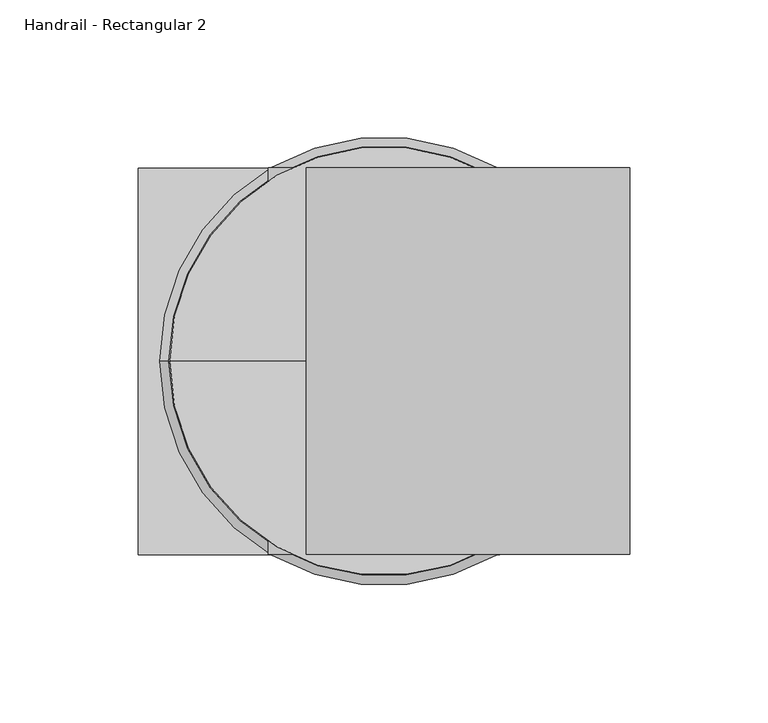
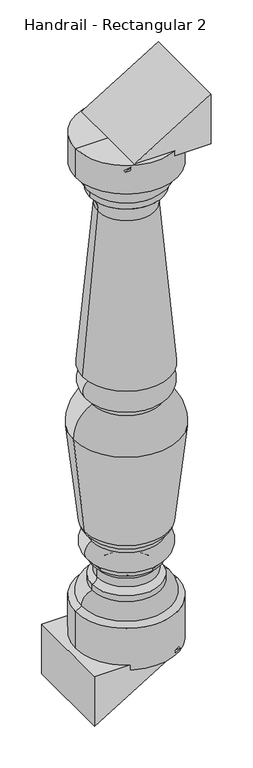
"""IFC4 building model written with IfcOpenShell, lengths in millimetres: railing geometry, Handrail - Rectangular 2."""

from ifc_helpers import new_model, si_unit, point, frame, origin, place, context, project, spatial, polyline, circle_curve, ellipse_curve, trimmed, outline, extrude, source, transform, mapped, element, save
from ifc_brep_helpers import plane_surface, cylinder_surface, revolved_surface, advanced_brep


def handrail_rectangular_2_6ec71a88(model_context):
    return source(origin(), model_context, "Body", "SolidModel", [
        advanced_brep(
        [(6161.9027138, 3995.6919589, 1172.4390176), (6084.3414749, 3995.6919589, 1172.4390176), (6239.4639527, 3995.6919589, 1172.4390176), (6239.6902138, 3995.6919589, 359.6390176), (6084.1152138, 3995.6919589, 359.6390176), (6161.9027138, 3995.6919589, 359.6390176), (6239.6902138, 3995.6919589, 426.3140176), (6084.1152138, 3995.6919589, 426.3140176), (6230.0781798, 3995.6919589, 431.4625025), (6093.7272477, 3995.6919589, 431.4625025), (6214.2902138, 3995.6919589, 451.8450708), (6109.5152138, 3995.6919589, 451.8450708), (6214.2902138, 3995.6919589, 461.2390176), (6109.5152138, 3995.6919589, 461.2390176), (6206.6714969, 3995.6919589, 470.2738338), (6117.1339306, 3995.6919589, 470.2738338), (6206.6714969, 3995.6919589, 483.9542013), (6117.1339306, 3995.6919589, 483.9542013), (6214.2902138, 3995.6919589, 492.9890176), (6109.5152138, 3995.6919589, 492.9890176), (6214.2902138, 3995.6919589, 499.3390176), (6109.5152138, 3995.6919589, 499.3390176), (6215.0839638, 3995.6919589, 531.0890176), (6108.7214638, 3995.6919589, 531.0890176), (6215.0839638, 3995.6919589, 537.4390176), (6108.7214638, 3995.6919589, 537.4390176), (6225.8567486, 3995.6919589, 550.1298017), (6097.948679, 3995.6919589, 550.1298017), (6242.9438292, 3995.6919589, 704.4866063), (6080.8615983, 3995.6919589, 704.4866063), (6214.2902138, 3995.6919589, 751.7515176), (6109.5152138, 3995.6919589, 751.7515176), (6214.2902138, 3995.6919589, 758.1015176), (6109.5152138, 3995.6919589, 758.1015176), (6217.4652138, 3995.6919589, 793.0265176), (6106.3402138, 3995.6919589, 793.0265176), (6217.4652138, 3995.6919589, 796.2015176), (6106.3402138, 3995.6919589, 796.2015176), (6228.5777138, 3995.6919589, 800.9640176), (6095.2277138, 3995.6919589, 800.9640176), (6205.3992017, 3995.6919589, 1059.4339394), (6118.4062258, 3995.6919589, 1059.4339394), (6217.4652138, 3995.6919589, 1086.7140176), (6106.3402138, 3995.6919589, 1086.7140176), (6217.4652138, 3995.6919589, 1096.2390176), (6106.3402138, 3995.6919589, 1096.2390176), (6228.5777138, 3995.6919589, 1123.2265176), (6095.2277138, 3995.6919589, 1123.2265176), (6239.6902138, 3995.6919589, 1126.4015176), (6084.1152138, 3995.6919589, 1126.4015176)],
        [
            (0, 1),
            (1, 2, circle_curve(frame((6161.9027138, 3995.6919589, 1172.4390176), z_axis=(0.0, 0.0, 1.0), x_axis=(-1.0, 0.0, 0.0)), 77.5612389)),
            (2, 0),
            (2, 1, circle_curve(frame((6161.9027138, 3995.6919589, 1172.4390176), z_axis=(0.0, 0.0, 1.0), x_axis=(-1.0, 0.0, 0.0)), 77.5612389)),
            (3, 4, circle_curve(frame((6161.9027138, 3995.6919589, 359.6390176), z_axis=(0.0, 0.0, -1.0), x_axis=(-1.0, 0.0, 0.0)), 77.7875)),
            (4, 5),
            (5, 3),
            (4, 3, circle_curve(frame((6161.9027138, 3995.6919589, 359.6390176), z_axis=(0.0, 0.0, -1.0), x_axis=(-1.0, 0.0, 0.0)), 77.7875)),
            (6, 7, circle_curve(frame((6161.9027138, 3995.6919589, 426.3140176), z_axis=(0.0, 0.0, -1.0), x_axis=(-1.0, 0.0, 0.0)), 77.7875)),
            (7, 4),
            (3, 6),
            (7, 6, circle_curve(frame((6161.9027138, 3995.6919589, 426.3140176), z_axis=(0.0, 0.0, -1.0), x_axis=(-1.0, 0.0, 0.0)), 77.7875)),
            (8, 9, circle_curve(frame((6161.9027138, 3995.6919589, 431.4625025), z_axis=(0.0, 0.0, -1.0), x_axis=(-1.0, 0.0, 0.0)), 68.175466)),
            (9, 7),
            (6, 8),
            (9, 8, circle_curve(frame((6161.9027138, 3995.6919589, 431.4625025), z_axis=(0.0, 0.0, -1.0), x_axis=(-1.0, 0.0, 0.0)), 68.175466)),
            (10, 11, circle_curve(frame((6161.9027138, 3995.6919589, 451.8450708), z_axis=(0.0, 0.0, -1.0), x_axis=(-1.0, 0.0, 0.0)), 52.3875)),
            (11, 9, circle_curve(frame((6111.8903026, 3995.6919589, 433.6995506), z_axis=(0.0, -1.0, 0.0), x_axis=(1.0, 0.0, 0.0)), 18.3002991)),
            (8, 10, circle_curve(frame((6211.9151249, 3995.6919589, 433.6995506), z_axis=(0.0, -1.0, 0.0), x_axis=(-1.0, 0.0, 0.0)), 18.3002991)),
            (11, 10, circle_curve(frame((6161.9027138, 3995.6919589, 451.8450708), z_axis=(0.0, 0.0, -1.0), x_axis=(-1.0, 0.0, 0.0)), 52.3875)),
            (12, 13, circle_curve(frame((6161.9027138, 3995.6919589, 461.2390176), z_axis=(0.0, 0.0, -1.0), x_axis=(-1.0, 0.0, 0.0)), 52.3875)),
            (13, 11),
            (10, 12),
            (13, 12, circle_curve(frame((6161.9027138, 3995.6919589, 461.2390176), z_axis=(0.0, 0.0, -1.0), x_axis=(-1.0, 0.0, 0.0)), 52.3875)),
            (14, 15, circle_curve(frame((6161.9027138, 3995.6919589, 470.2738338), z_axis=(0.0, 0.0, -1.0), x_axis=(-1.0, 0.0, 0.0)), 44.7687831)),
            (15, 13, circle_curve(frame((6107.7298785, 3995.6919589, 470.4742181), z_axis=(0.0, 1.0, 0.0), x_axis=(1.0, 0.0, 0.0)), 9.4061868)),
            (12, 14, circle_curve(frame((6216.075549, 3995.6919589, 470.4742181), z_axis=(0.0, 1.0, 0.0), x_axis=(-1.0, 0.0, 0.0)), 9.4061868)),
            (15, 14, circle_curve(frame((6161.9027138, 3995.6919589, 470.2738338), z_axis=(0.0, 0.0, -1.0), x_axis=(-1.0, 0.0, 0.0)), 44.7687831)),
            (16, 17, circle_curve(frame((6161.9027138, 3995.6919589, 483.9542013), z_axis=(0.0, 0.0, -1.0), x_axis=(-1.0, 0.0, 0.0)), 44.7687831)),
            (17, 15),
            (14, 16),
            (17, 16, circle_curve(frame((6161.9027138, 3995.6919589, 483.9542013), z_axis=(0.0, 0.0, -1.0), x_axis=(-1.0, 0.0, 0.0)), 44.7687831)),
            (18, 19, circle_curve(frame((6161.9027138, 3995.6919589, 492.9890176), z_axis=(0.0, 0.0, -1.0), x_axis=(-1.0, 0.0, 0.0)), 52.3875)),
            (19, 17, circle_curve(frame((6107.7298785, 3995.6919589, 483.753817), z_axis=(0.0, 1.0, 0.0), x_axis=(1.0, 0.0, 0.0)), 9.4061868)),
            (16, 18, circle_curve(frame((6216.075549, 3995.6919589, 483.753817), z_axis=(0.0, 1.0, 0.0), x_axis=(-1.0, 0.0, 0.0)), 9.4061868)),
            (19, 18, circle_curve(frame((6161.9027138, 3995.6919589, 492.9890176), z_axis=(0.0, 0.0, -1.0), x_axis=(-1.0, 0.0, 0.0)), 52.3875)),
            (20, 21, circle_curve(frame((6161.9027138, 3995.6919589, 499.3390176), z_axis=(0.0, 0.0, -1.0), x_axis=(-1.0, 0.0, 0.0)), 52.3875)),
            (21, 19),
            (18, 20),
            (21, 20, circle_curve(frame((6161.9027138, 3995.6919589, 499.3390176), z_axis=(0.0, 0.0, -1.0), x_axis=(-1.0, 0.0, 0.0)), 52.3875)),
            (22, 23, circle_curve(frame((6161.9027138, 3995.6919589, 531.0890176), z_axis=(0.0, 0.0, -1.0), x_axis=(-1.0, 0.0, 0.0)), 53.18125)),
            (23, 21, circle_curve(frame((6115.0943014, 3995.6919589, 515.3634166), z_axis=(0.0, -1.0, 0.0), x_axis=(1.0, 0.0, 0.0)), 16.9678397)),
            (20, 22, circle_curve(frame((6208.7111261, 3995.6919589, 515.3634166), z_axis=(0.0, -1.0, 0.0), x_axis=(-1.0, 0.0, 0.0)), 16.9678397)),
            (23, 22, circle_curve(frame((6161.9027138, 3995.6919589, 531.0890176), z_axis=(0.0, 0.0, -1.0), x_axis=(-1.0, 0.0, 0.0)), 53.18125)),
            (24, 25, circle_curve(frame((6161.9027138, 3995.6919589, 537.4390176), z_axis=(0.0, 0.0, -1.0), x_axis=(-1.0, 0.0, 0.0)), 53.18125)),
            (25, 23),
            (22, 24),
            (25, 24, circle_curve(frame((6161.9027138, 3995.6919589, 537.4390176), z_axis=(0.0, 0.0, -1.0), x_axis=(-1.0, 0.0, 0.0)), 53.18125)),
            (26, 27, circle_curve(frame((6161.9027138, 3995.6919589, 550.1298017), z_axis=(0.0, 0.0, -1.0), x_axis=(-1.0, 0.0, 0.0)), 63.9540348)),
            (27, 25, circle_curve(frame((6118.5548362, 3995.6919589, 556.7039621), z_axis=(0.0, -1.0, 0.0), x_axis=(1.0, 0.0, 0.0)), 21.6294545)),
            (24, 26, circle_curve(frame((6205.2505913, 3995.6919589, 556.7039621), z_axis=(0.0, -1.0, 0.0), x_axis=(-1.0, 0.0, 0.0)), 21.6294545)),
            (27, 26, circle_curve(frame((6161.9027138, 3995.6919589, 550.1298017), z_axis=(0.0, 0.0, -1.0), x_axis=(-1.0, 0.0, 0.0)), 63.9540348)),
            (28, 29, circle_curve(frame((6161.9027138, 3995.6919589, 704.4866063), z_axis=(0.0, 0.0, -1.0), x_axis=(-1.0, 0.0, 0.0)), 81.0411154)),
            (29, 27, circle_curve(frame((7575.1890441, 3995.6919589, 791.7823874), z_axis=(0.0, -1.0, 0.0), x_axis=(1.0, 0.0, 0.0)), 1496.8751012)),
            (26, 28, circle_curve(frame((4748.6163835, 3995.6919589, 791.7823874), z_axis=(0.0, -1.0, 0.0), x_axis=(-1.0, 0.0, 0.0)), 1496.8751012)),
            (29, 28, circle_curve(frame((6161.9027138, 3995.6919589, 704.4866063), z_axis=(0.0, 0.0, -1.0), x_axis=(-1.0, 0.0, 0.0)), 81.0411154)),
            (30, 31, circle_curve(frame((6161.9027138, 3995.6919589, 751.7515176), z_axis=(0.0, 0.0, -1.0), x_axis=(-1.0, 0.0, 0.0)), 52.3875)),
            (31, 29, circle_curve(frame((6132.6143644, 3995.6919589, 705.4301582), z_axis=(0.0, -1.0, 0.0), x_axis=(1.0, 0.0, 0.0)), 51.7613668)),
            (28, 30, circle_curve(frame((6191.1910631, 3995.6919589, 705.4301582), z_axis=(0.0, -1.0, 0.0), x_axis=(-1.0, 0.0, 0.0)), 51.7613668)),
            (31, 30, circle_curve(frame((6161.9027138, 3995.6919589, 751.7515176), z_axis=(0.0, 0.0, -1.0), x_axis=(-1.0, 0.0, 0.0)), 52.3875)),
            (32, 33, circle_curve(frame((6161.9027138, 3995.6919589, 758.1015176), z_axis=(0.0, 0.0, -1.0), x_axis=(-1.0, 0.0, 0.0)), 52.3875)),
            (33, 31),
            (30, 32),
            (33, 32, circle_curve(frame((6161.9027138, 3995.6919589, 758.1015176), z_axis=(0.0, 0.0, -1.0), x_axis=(-1.0, 0.0, 0.0)), 52.3875)),
            (34, 35, circle_curve(frame((6161.9027138, 3995.6919589, 793.0265176), z_axis=(0.0, 0.0, -1.0), x_axis=(-1.0, 0.0, 0.0)), 55.5625)),
            (35, 33, circle_curve(frame((6114.5814661, 3995.6919589, 776.1689041), z_axis=(0.0, -1.0, 0.0), x_axis=(1.0, 0.0, 0.0)), 18.7642578)),
            (32, 34, circle_curve(frame((6209.2239614, 3995.6919589, 776.1689041), z_axis=(0.0, -1.0, 0.0), x_axis=(-1.0, 0.0, 0.0)), 18.7642578)),
            (35, 34, circle_curve(frame((6161.9027138, 3995.6919589, 793.0265176), z_axis=(0.0, 0.0, -1.0), x_axis=(-1.0, 0.0, 0.0)), 55.5625)),
            (36, 37, circle_curve(frame((6161.9027138, 3995.6919589, 796.2015176), z_axis=(0.0, 0.0, -1.0), x_axis=(-1.0, 0.0, 0.0)), 55.5625)),
            (37, 35),
            (34, 36),
            (37, 36, circle_curve(frame((6161.9027138, 3995.6919589, 796.2015176), z_axis=(0.0, 0.0, -1.0), x_axis=(-1.0, 0.0, 0.0)), 55.5625)),
            (38, 39, circle_curve(frame((6161.9027138, 3995.6919589, 800.9640176), z_axis=(0.0, 0.0, -1.0), x_axis=(-1.0, 0.0, 0.0)), 66.675)),
            (39, 37),
            (36, 38),
            (39, 38, circle_curve(frame((6161.9027138, 3995.6919589, 800.9640176), z_axis=(0.0, 0.0, -1.0), x_axis=(-1.0, 0.0, 0.0)), 66.675)),
            (40, 41, circle_curve(frame((6161.9027138, 3995.6919589, 1059.4339394), z_axis=(0.0, 0.0, -1.0), x_axis=(-1.0, 0.0, 0.0)), 43.4964879)),
            (41, 39, circle_curve(frame((4471.5697999, 3995.6919589, 1076.841172), z_axis=(0.0, 1.0, 0.0), x_axis=(1.0, 0.0, 0.0)), 1646.9284215)),
            (38, 40, circle_curve(frame((7852.2356276, 3995.6919589, 1076.841172), z_axis=(0.0, 1.0, 0.0), x_axis=(-1.0, 0.0, 0.0)), 1646.9284215)),
            (41, 40, circle_curve(frame((6161.9027138, 3995.6919589, 1059.4339394), z_axis=(0.0, 0.0, -1.0), x_axis=(-1.0, 0.0, 0.0)), 43.4964879)),
            (42, 43, circle_curve(frame((6161.9027138, 3995.6919589, 1086.7140176), z_axis=(0.0, 0.0, -1.0), x_axis=(-1.0, 0.0, 0.0)), 55.5625)),
            (43, 41, circle_curve(frame((6085.702067, 3995.6919589, 1061.2772948), z_axis=(0.0, 1.0, 0.0), x_axis=(1.0, 0.0, 0.0)), 32.7560676)),
            (40, 42, circle_curve(frame((6238.1033606, 3995.6919589, 1061.2772948), z_axis=(0.0, 1.0, 0.0), x_axis=(-1.0, 0.0, 0.0)), 32.7560676)),
            (43, 42, circle_curve(frame((6161.9027138, 3995.6919589, 1086.7140176), z_axis=(0.0, 0.0, -1.0), x_axis=(-1.0, 0.0, 0.0)), 55.5625)),
            (44, 45, circle_curve(frame((6161.9027138, 3995.6919589, 1096.2390176), z_axis=(0.0, 0.0, -1.0), x_axis=(-1.0, 0.0, 0.0)), 55.5625)),
            (45, 43),
            (42, 44),
            (45, 44, circle_curve(frame((6161.9027138, 3995.6919589, 1096.2390176), z_axis=(0.0, 0.0, -1.0), x_axis=(-1.0, 0.0, 0.0)), 55.5625)),
            (46, 47, circle_curve(frame((6161.9027138, 3995.6919589, 1123.2265176), z_axis=(0.0, 0.0, -1.0), x_axis=(-1.0, 0.0, 0.0)), 66.675)),
            (47, 45, circle_curve(frame((6124.5879355, 3995.6919589, 1119.534403), z_axis=(0.0, -1.0, 0.0), x_axis=(1.0, 0.0, 0.0)), 29.5914571)),
            (44, 46, circle_curve(frame((6199.217492, 3995.6919589, 1119.534403), z_axis=(0.0, -1.0, 0.0), x_axis=(-1.0, 0.0, 0.0)), 29.5914571)),
            (47, 46, circle_curve(frame((6161.9027138, 3995.6919589, 1123.2265176), z_axis=(0.0, 0.0, -1.0), x_axis=(-1.0, 0.0, 0.0)), 66.675)),
            (48, 49, circle_curve(frame((6161.9027138, 3995.6919589, 1126.4015176), z_axis=(0.0, 0.0, -1.0), x_axis=(-1.0, 0.0, 0.0)), 77.7875)),
            (49, 47),
            (46, 48),
            (49, 48, circle_curve(frame((6161.9027138, 3995.6919589, 1126.4015176), z_axis=(0.0, 0.0, -1.0), x_axis=(-1.0, 0.0, 0.0)), 77.7875)),
            (1, 49),
            (48, 2),
        ],
        [
            plane_surface(frame((6161.9027138, 3995.6919589, 1172.4390176), z_axis=(0.0, 0.0, 1.0), x_axis=(-1.0, 0.0, 0.0))),
            plane_surface(frame((6161.9027138, 3995.6919589, 359.6390176), z_axis=(0.0, 0.0, -1.0), x_axis=(-1.0, 0.0, 0.0))),
            cylinder_surface(frame((6161.9027138, 3995.6919589, 1242.2890176), z_axis=(0.0, 0.0, 1.0), x_axis=(-1.0, 0.0, 0.0)), 77.7875),
            revolved_surface(polyline([(6084.1152138, 3995.6919589, 426.3140176), (6093.7272477, 3995.6919589, 431.4625025)]), (6161.9027138, 3995.6919589, 1242.2890176), (0.0, 0.0, 1.0)),
            revolved_surface(trimmed(ellipse_curve(frame((6111.8903026, 3995.6919589, 433.6995506), z_axis=(0.0, 1.0, 0.0), x_axis=(1.0, 0.0, 0.0)), 18.3002991, 18.3002991), [point((6093.7272477, 3995.6919589, 431.4625025))], [point((6109.5152138, 3995.6919589, 451.8450708))], True, "CARTESIAN"), (6161.9027138, 3995.6919589, 1242.2890176), (0.0, 0.0, 1.0)),
            cylinder_surface(frame((6161.9027138, 3995.6919589, 1242.2890176), z_axis=(0.0, 0.0, 1.0), x_axis=(-1.0, 0.0, 0.0)), 52.3875),
            revolved_surface(trimmed(ellipse_curve(frame((6107.7298785, 3995.6919589, 470.4742181), z_axis=(0.0, -1.0, 0.0), x_axis=(1.0, 0.0, 0.0)), 9.4061868, 9.4061868), [point((6109.5152138, 3995.6919589, 461.2390176))], [point((6117.1339306, 3995.6919589, 470.2738338))], True, "CARTESIAN"), (6161.9027138, 3995.6919589, 1242.2890176), (0.0, 0.0, 1.0)),
            cylinder_surface(frame((6161.9027138, 3995.6919589, 1242.2890176), z_axis=(0.0, 0.0, 1.0), x_axis=(-1.0, 0.0, 0.0)), 44.7687831),
            revolved_surface(trimmed(ellipse_curve(frame((6107.7298785, 3995.6919589, 483.753817), z_axis=(0.0, -1.0, 0.0), x_axis=(1.0, 0.0, 0.0)), 9.4061868, 9.4061868), [point((6117.1339306, 3995.6919589, 483.9542013))], [point((6109.5152138, 3995.6919589, 492.9890176))], True, "CARTESIAN"), (6161.9027138, 3995.6919589, 1242.2890176), (0.0, 0.0, 1.0)),
            revolved_surface(trimmed(ellipse_curve(frame((6115.0943014, 3995.6919589, 515.3634166), z_axis=(0.0, 1.0, 0.0), x_axis=(1.0, 0.0, 0.0)), 16.9678397, 16.9678397), [point((6109.5152138, 3995.6919589, 499.3390176))], [point((6108.7214638, 3995.6919589, 531.0890176))], True, "CARTESIAN"), (6161.9027138, 3995.6919589, 1242.2890176), (0.0, 0.0, 1.0)),
            cylinder_surface(frame((6161.9027138, 3995.6919589, 1242.2890176), z_axis=(0.0, 0.0, 1.0), x_axis=(-1.0, 0.0, 0.0)), 53.18125),
            revolved_surface(trimmed(ellipse_curve(frame((6118.5548362, 3995.6919589, 556.7039621), z_axis=(0.0, 1.0, 0.0), x_axis=(1.0, 0.0, 0.0)), 21.6294545, 21.6294545), [point((6108.7214638, 3995.6919589, 537.4390176))], [point((6097.948679, 3995.6919589, 550.1298017))], True, "CARTESIAN"), (6161.9027138, 3995.6919589, 1242.2890176), (0.0, 0.0, 1.0)),
            revolved_surface(trimmed(ellipse_curve(frame((7575.1890441, 3995.6919589, 791.7823874), z_axis=(0.0, 1.0, 0.0), x_axis=(1.0, 0.0, 0.0)), 1496.8751012, 1496.8751012), [point((6097.948679, 3995.6919589, 550.1298017))], [point((6080.8615983, 3995.6919589, 704.4866063))], True, "CARTESIAN"), (6161.9027138, 3995.6919589, 1242.2890176), (0.0, 0.0, 1.0)),
            revolved_surface(trimmed(ellipse_curve(frame((6132.6143644, 3995.6919589, 705.4301582), z_axis=(0.0, 1.0, 0.0), x_axis=(1.0, 0.0, 0.0)), 51.7613668, 51.7613668), [point((6080.8615983, 3995.6919589, 704.4866063))], [point((6109.5152138, 3995.6919589, 751.7515176))], True, "CARTESIAN"), (6161.9027138, 3995.6919589, 1242.2890176), (0.0, 0.0, 1.0)),
            revolved_surface(trimmed(ellipse_curve(frame((6114.5814661, 3995.6919589, 776.1689041), z_axis=(0.0, 1.0, 0.0), x_axis=(1.0, 0.0, 0.0)), 18.7642578, 18.7642578), [point((6109.5152138, 3995.6919589, 758.1015176))], [point((6106.3402138, 3995.6919589, 793.0265176))], True, "CARTESIAN"), (6161.9027138, 3995.6919589, 1242.2890176), (0.0, 0.0, 1.0)),
            cylinder_surface(frame((6161.9027138, 3995.6919589, 1242.2890176), z_axis=(0.0, 0.0, 1.0), x_axis=(-1.0, 0.0, 0.0)), 55.5625),
            revolved_surface(polyline([(6106.3402138, 3995.6919589, 796.2015176), (6095.2277138, 3995.6919589, 800.9640176)]), (6161.9027138, 3995.6919589, 1242.2890176), (0.0, 0.0, 1.0)),
            revolved_surface(trimmed(ellipse_curve(frame((4471.5697999, 3995.6919589, 1076.841172), z_axis=(0.0, -1.0, 0.0), x_axis=(1.0, 0.0, 0.0)), 1646.9284215, 1646.9284215), [point((6095.2277138, 3995.6919589, 800.9640176))], [point((6118.4062258, 3995.6919589, 1059.4339394))], True, "CARTESIAN"), (6161.9027138, 3995.6919589, 1242.2890176), (0.0, 0.0, 1.0)),
            revolved_surface(trimmed(ellipse_curve(frame((6085.702067, 3995.6919589, 1061.2772948), z_axis=(0.0, -1.0, 0.0), x_axis=(1.0, 0.0, 0.0)), 32.7560676, 32.7560676), [point((6118.4062258, 3995.6919589, 1059.4339394))], [point((6106.3402138, 3995.6919589, 1086.7140176))], True, "CARTESIAN"), (6161.9027138, 3995.6919589, 1242.2890176), (0.0, 0.0, 1.0)),
            revolved_surface(trimmed(ellipse_curve(frame((6124.5879355, 3995.6919589, 1119.534403), z_axis=(0.0, 1.0, 0.0), x_axis=(1.0, 0.0, 0.0)), 29.5914571, 29.5914571), [point((6106.3402138, 3995.6919589, 1096.2390176))], [point((6095.2277138, 3995.6919589, 1123.2265176))], True, "CARTESIAN"), (6161.9027138, 3995.6919589, 1242.2890176), (0.0, 0.0, 1.0)),
            revolved_surface(polyline([(6095.2277138, 3995.6919589, 1123.2265176), (6084.1152138, 3995.6919589, 1126.4015176)]), (6161.9027138, 3995.6919589, 1242.2890176), (0.0, 0.0, 1.0)),
            revolved_surface(polyline([(6084.1152138, 3995.6919589, 1126.4015176), (6084.3414749, 3995.6919589, 1172.4390176)]), (6161.9027138, 3995.6919589, 1242.2890176), (0.0, 0.0, 1.0)),
        ],
        [
            (0, [[1, 2, 3]]),
            (0, [[-3, 4, -1]]),
            (1, [[5, 6, 7]]),
            (1, [[8, -7, -6]]),
            (2, [[9, 10, -5, 11]]),
            (2, [[12, -11, -8, -10]]),
            (3, [[13, 14, -9, 15]]),
            (3, [[16, -15, -12, -14]]),
            (4, [[17, 18, -13, 19]]),
            (4, [[20, -19, -16, -18]]),
            (5, [[21, 22, -17, 23]]),
            (5, [[24, -23, -20, -22]]),
            (6, [[25, 26, -21, 27]]),
            (6, [[28, -27, -24, -26]]),
            (7, [[29, 30, -25, 31]]),
            (7, [[32, -31, -28, -30]]),
            (8, [[33, 34, -29, 35]]),
            (8, [[36, -35, -32, -34]]),
            (5, [[37, 38, -33, 39]]),
            (5, [[40, -39, -36, -38]]),
            (9, [[41, 42, -37, 43]]),
            (9, [[44, -43, -40, -42]]),
            (10, [[45, 46, -41, 47]]),
            (10, [[48, -47, -44, -46]]),
            (11, [[49, 50, -45, 51]]),
            (11, [[52, -51, -48, -50]]),
            (12, [[53, 54, -49, 55]]),
            (12, [[56, -55, -52, -54]]),
            (13, [[57, 58, -53, 59]]),
            (13, [[60, -59, -56, -58]]),
            (5, [[61, 62, -57, 63]]),
            (5, [[64, -63, -60, -62]]),
            (14, [[65, 66, -61, 67]]),
            (14, [[68, -67, -64, -66]]),
            (15, [[69, 70, -65, 71]]),
            (15, [[72, -71, -68, -70]]),
            (16, [[73, 74, -69, 75]]),
            (16, [[76, -75, -72, -74]]),
            (17, [[77, 78, -73, 79]]),
            (17, [[80, -79, -76, -78]]),
            (18, [[81, 82, -77, 83]]),
            (18, [[84, -83, -80, -82]]),
            (15, [[85, 86, -81, 87]]),
            (15, [[88, -87, -84, -86]]),
            (19, [[89, 90, -85, 91]]),
            (19, [[92, -91, -88, -90]]),
            (20, [[93, 94, -89, 95]]),
            (20, [[96, -95, -92, -94]]),
            (21, [[-2, 97, -93, 98]]),
            (21, [[-4, -98, -96, -97]]),
        ],
    ),
        extrude(outline(polyline([(367.4340909, 6203.8127138), (367.4340909, 6073.0027138), (288.155303, 6073.0027138), (367.4340909, 6203.8127138)])), frame((0.0, 3925.8419589, 0.0), z_axis=(0.0, 1.0, 0.0), x_axis=(0.0, 0.0, 1.0)), (0.0, 0.0, 1.0), 139.7),
        extrude(outline(polyline([(1164.6439442, 6119.9927138), (1164.6439442, 6250.8027138), (1243.9227321, 6250.8027138), (1164.6439442, 6119.9927138)])), frame((0.0, 3925.8419589, 0.0), z_axis=(0.0, 1.0, 0.0), x_axis=(0.0, 0.0, 1.0)), (0.0, 0.0, 1.0), 139.7),
    ])


if __name__ == "__main__":
    model = new_model("IFC4")
    model_context = context("Model", 3, world=origin())
    ifc_project = project(units=[si_unit("LENGTHUNIT", "METRE", prefix="MILLI")], contexts=[model_context])
    site = spatial("IfcSite", under=ifc_project)
    building = spatial("IfcBuilding", under=site)
    placement = place(None, origin())
    handrail_rectangular_2_shape = handrail_rectangular_2_6ec71a88(model_context)
    element("IfcRailing", 1, ObjectType="Handrail - Rectangular 2", at=placement, inside=building, context=model_context, shape_type="MappedRepresentation", body=[
        mapped(handrail_rectangular_2_shape, transform((0.0, 0.0, 0.0), x_axis=(1.0, 0.0, 0.0), y_axis=(0.0, 1.0, 0.0), z_axis=(0.0, 0.0, 1.0))),
    ])
    save(model, "model.ifc")
